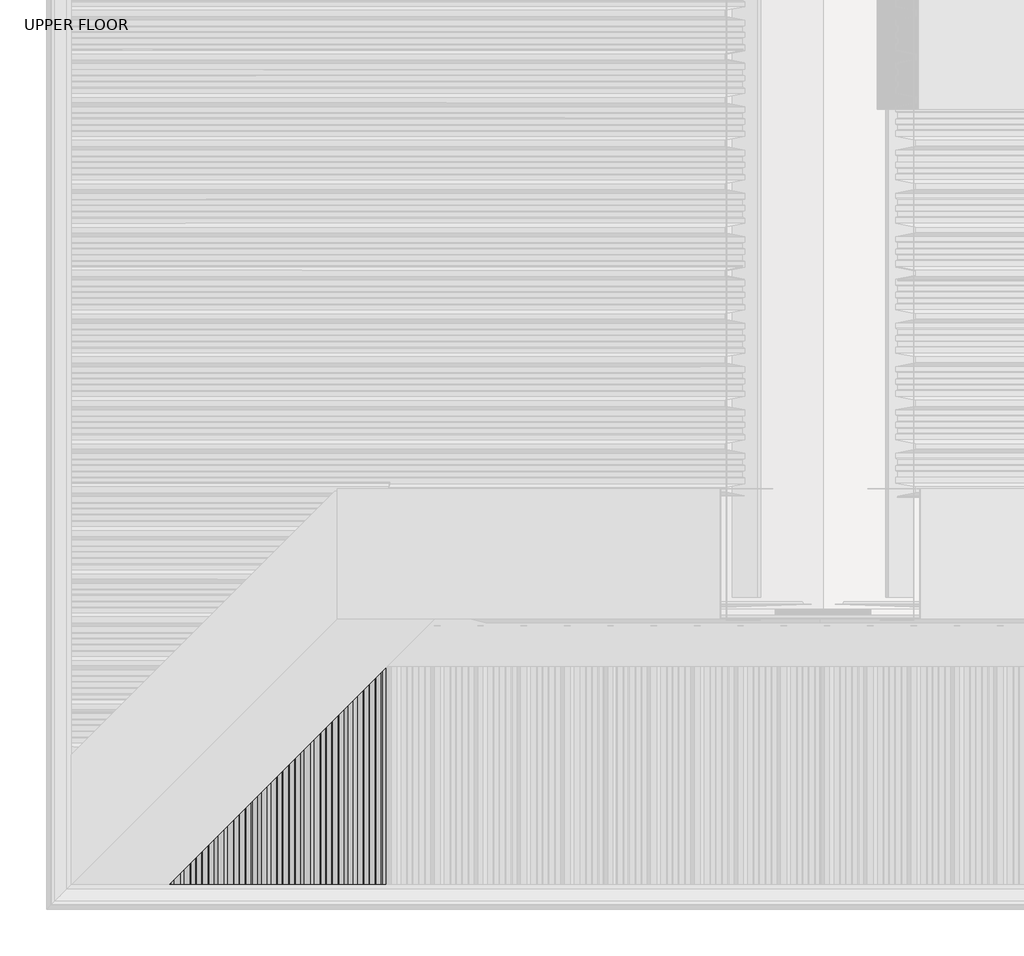
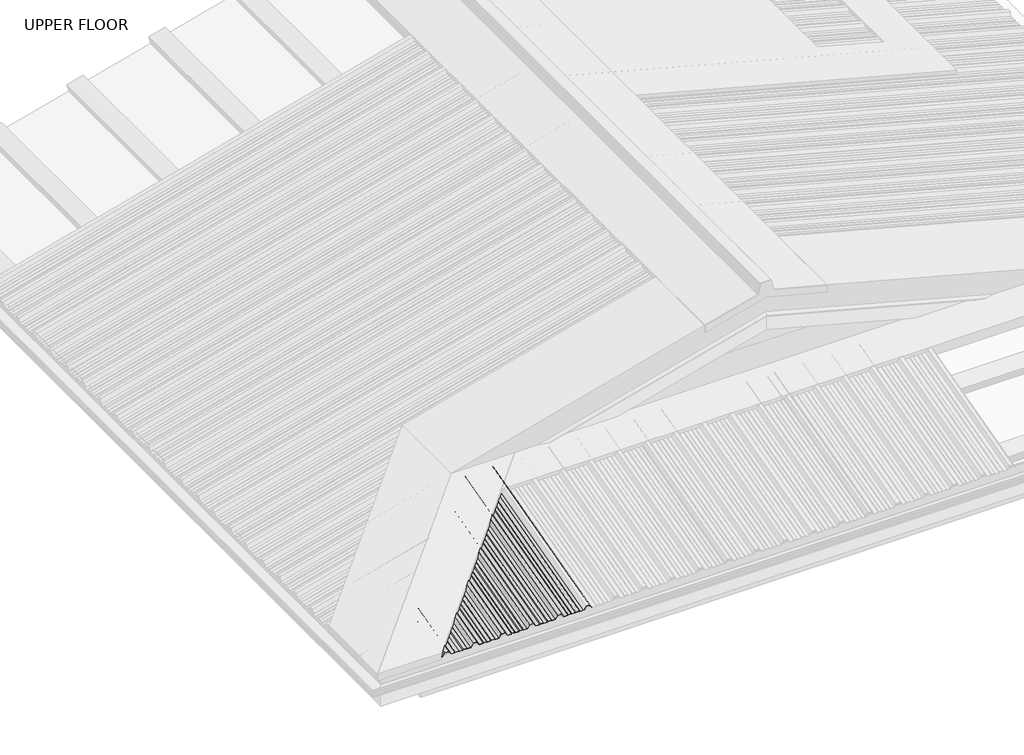
# One storey, part 5 of 18: 1 beam.
"""IFC4 building model written with IfcOpenShell, lengths in millimetres."""

from ifc_helpers import new_model, si_unit, frame, origin, place, context, project, spatial, circle_curve, ellipse_curve, element, save
from ifc_brep_helpers import plane_surface, cylinder_surface, advanced_brep

model = new_model("IFC4")

# Units and contexts
model_context = context("Model", 3, world=origin())
ifc_project = project(units=[si_unit("LENGTHUNIT", "METRE", prefix="MILLI")], contexts=[model_context])

# Site, building, storey
site = spatial("IfcSite", under=ifc_project)
building = spatial("IfcBuilding", under=site)
storey = spatial("IfcBuildingStorey", under=building, Name="UPPER FLOOR", Elevation=2700.0)

# Beam
placement = place(None, origin())
element("IfcBeam", 1, at=placement, inside=storey, context=model_context, shape_type="AdvancedBrep", body=[
    advanced_brep(
    [(416.8427512, -3760.3309538, 3515.7761857), (419.8863931, -3760.8485919, 3517.7080373), (436.1506785, -3760.8485919, 3517.7080373), (439.192137, -3760.3309538, 3515.7761857), (457.3837849, -3760.3309538, 3515.7761857), (460.6479489, -3760.8485919, 3517.7080373), (478.7663392, -3760.8485919, 3517.7080373), (482.8929412, -3760.3309538, 3515.7761857), (502.8200327, -3760.3309538, 3515.7761857), (514.8194908, -3764.4720586, 3531.2309989), (532.8194367, -3764.4720586, 3531.2309989), (544.476707, -3760.4490454, 3516.2169095), (543.6770929, -3760.2938359, 3515.6376597), (532.3200463, -3764.2132395, 3530.265073), (515.3188812, -3764.2132395, 3530.265073), (503.3194231, -3760.0721348, 3514.8102598), (482.6633813, -3760.0721348, 3514.8102598), (478.5367793, -3760.5897729, 3516.7421115), (460.9299442, -3760.5897729, 3516.7421115), (457.6657802, -3760.0721348, 3514.8102598), (438.8928065, -3760.0721348, 3514.8102598), (435.851348, -3760.5897729, 3516.7421115), (420.1855441, -3760.5897729, 3516.7421115), (417.1419022, -3760.0721348, 3514.8102598), (400.0466933, -3760.0721348, 3514.8102598), (399.7878742, -3760.3309538, 3515.7761857), (332.6633813, -3827.4554467, 3496.7549558), (350.8194638, -3809.2993643, 3501.6198634), (350.8194638, -4660.4975954, 3273.5419848), (332.6633813, -4660.4975954, 3273.5419848), (328.5367793, -3831.5820487, 3497.7197885), (328.5367793, -4660.4975954, 3275.6125372), (310.9299442, -3849.1888839, 3493.0020512), (310.9299442, -4660.4975954, 3275.6125372), (307.6657802, -3852.4530479, 3490.0568688), (307.6657802, -4660.4975954, 3273.5419848), (288.8928065, -3871.2260216, 3485.0266656), (288.8928065, -4660.4975954, 3273.5419848), (285.851348, -3874.2674801, 3486.2822616), (285.851348, -4660.4975954, 3275.6125372), (270.1855441, -3889.9332839, 3482.0846221), (270.1855441, -4660.4975954, 3275.6125372), (267.1419022, -3892.9769258, 3479.1985284), (267.1419022, -4660.4975954, 3273.5419848), (246.8194638, -3913.2993643, 3473.7531474), (246.8194638, -4660.4975954, 3273.5419848), (233.3200734, -3926.7987547, 3488.7709679), (233.3200734, -4660.4975954, 3292.176956), (214.3188541, -3945.7999739, 3483.6796066), (214.3188541, -4660.4975954, 3292.176956), (200.8194638, -3959.2993643, 3461.4274846), (200.8194638, -4660.4975954, 3273.5419848), (182.6633813, -3977.4554467, 3456.5625769), (182.6633813, -4660.4975954, 3273.5419848), (178.5367793, -3981.5820487, 3457.5274096), (178.5367793, -4660.4975954, 3275.6125372), (160.9299442, -3999.1888839, 3452.8096724), (160.9299442, -4660.4975954, 3275.6125372), (157.6657802, -4002.4530479, 3449.8644899), (157.6657802, -4660.4975954, 3273.5419848), (138.8928065, -4021.2260216, 3444.8342868), (138.8928065, -4660.4975954, 3273.5419848), (135.851348, -4024.2674801, 3446.0898828), (135.851348, -4660.4975954, 3275.6125372), (120.1855441, -4039.9332839, 3441.8922433), (120.1855441, -4660.4975954, 3275.6125372), (117.1419022, -4042.9769258, 3439.0061495), (117.1419022, -4660.4975954, 3273.5419848), (96.8194638, -4063.2993643, 3433.5607686), (96.8194638, -4660.4975954, 3273.5419848), (83.3200734, -4076.7987547, 3448.5785891), (83.3200734, -4660.4975954, 3292.176956), (64.3188541, -4095.7999739, 3443.4872277), (64.3188541, -4660.4975954, 3292.176956), (50.8194638, -4109.2993643, 3421.2351057), (50.8194638, -4660.4975954, 3273.5419848), (32.6633813, -4127.4554467, 3416.3701981), (32.6633813, -4660.4975954, 3273.5419848), (28.5367793, -4131.5820487, 3417.3350308), (28.5367793, -4660.4975954, 3275.6125372), (10.9299442, -4149.1888839, 3412.6172935), (10.9299442, -4660.4975954, 3275.6125372), (7.6657802, -4152.4530479, 3409.672111), (7.6657802, -4660.4975954, 3273.5419848), (-11.1071935, -4171.2260216, 3404.6419079), (-11.1071935, -4660.4975954, 3273.5419848), (-14.148652, -4174.2674801, 3405.8975039), (-14.148652, -4660.4975954, 3275.6125372), (-29.8144559, -4189.9332839, 3401.6998644), (-29.8144559, -4660.4975954, 3275.6125372), (-32.8580978, -4192.9769258, 3398.8137707), (-32.8580978, -4660.4975954, 3273.5419848), (-53.1805362, -4213.2993643, 3393.3683897), (-53.1805362, -4660.4975954, 3273.5419848), (-66.6799266, -4226.7987547, 3408.3862102), (-66.6799266, -4660.4975954, 3292.176956), (-85.6811459, -4245.7999739, 3403.2948488), (-85.6811459, -4660.4975954, 3292.176956), (-99.1805362, -4259.2993643, 3381.0427268), (-99.1805362, -4660.4975954, 3273.5419848), (-117.3366187, -4277.4554467, 3376.1778192), (-117.3366187, -4660.4975954, 3273.5419848), (-121.4632207, -4281.5820487, 3377.1426519), (-121.4632207, -4660.4975954, 3275.6125372), (-139.0700558, -4299.1888839, 3372.4249146), (-139.0700558, -4660.4975954, 3275.6125372), (-142.3342198, -4302.4530479, 3369.4797322), (-142.3342198, -4660.4975954, 3273.5419848), (-161.1071935, -4321.2260216, 3364.449529), (-161.1071935, -4660.4975954, 3273.5419848), (-164.148652, -4324.2674801, 3365.705125), (-164.148652, -4660.4975954, 3275.6125372), (-179.8144559, -4339.9332839, 3361.5074856), (-179.8144559, -4660.4975954, 3275.6125372), (-182.8580978, -4342.9769258, 3358.6213918), (-182.8580978, -4660.4975954, 3273.5419848), (-203.1805362, -4363.2993643, 3353.1760108), (-203.1805362, -4660.4975954, 3273.5419848), (-216.6799266, -4376.7987547, 3368.1938313), (-216.6799266, -4660.4975954, 3292.176956), (-235.6811459, -4395.7999739, 3363.10247), (-235.6811459, -4660.4975954, 3292.176956), (-247.680604, -4407.799432, 3343.322806), (-247.680604, -4660.4975954, 3275.6125372), (-251.3539212, -4411.4727492, 3342.3385436), (-251.3539212, -4660.4975954, 3275.6125372), (-251.3539212, -4411.4727492, 3343.3738198), (-251.3539212, -4660.4975954, 3276.6478133), (-248.1799944, -4408.2988224, 3344.2242709), (-248.1799944, -4660.4975954, 3276.6478133), (-236.1805362, -4396.2993643, 3364.0039349), (-236.1805362, -4660.4975954, 3293.2122322), (-216.1805362, -4376.2993643, 3369.3629188), (-216.1805362, -4660.4975954, 3293.2122322), (-202.6811459, -4362.7999739, 3354.3450983), (-202.6811459, -4660.4975954, 3274.577261), (-183.1572488, -4343.2760769, 3359.5765107), (-183.1572488, -4660.4975954, 3274.577261), (-180.1136069, -4340.232435, 3362.4626045), (-180.1136069, -4660.4975954, 3276.6478133), (-163.8493215, -4323.9681496, 3366.8206066), (-163.8493215, -4660.4975954, 3276.6478133), (-160.807863, -4320.9266911, 3365.5650106), (-160.807863, -4660.4975954, 3274.577261), (-142.6162151, -4302.7350431, 3370.439448), (-142.6162151, -4660.4975954, 3274.577261), (-139.3520511, -4299.4708791, 3373.3846304), (-139.3520511, -4660.4975954, 3276.6478133), (-121.2336608, -4281.3524888, 3378.2394385), (-121.2336608, -4660.4975954, 3276.6478133), (-117.1070588, -4277.2258869, 3377.2746058), (-117.1070588, -4660.4975954, 3274.577261), (-99.6799266, -4259.7987547, 3381.9441918), (-99.6799266, -4660.4975954, 3274.577261), (-86.1805362, -4246.2993643, 3404.1963138), (-86.1805362, -4660.4975954, 3293.2122322), (-66.1805362, -4226.2993643, 3409.5552976), (-66.1805362, -4660.4975954, 3293.2122322), (-52.6811459, -4212.7999739, 3394.5374771), (-52.6811459, -4660.4975954, 3274.577261), (-33.1572488, -4193.2760769, 3399.7688896), (-33.1572488, -4660.4975954, 3274.577261), (-30.1136069, -4190.232435, 3402.6549833), (-30.1136069, -4660.4975954, 3276.6478133), (-13.8493215, -4173.9681496, 3407.0129855), (-13.8493215, -4660.4975954, 3276.6478133), (-10.807863, -4170.9266911, 3405.7573894), (-10.807863, -4660.4975954, 3274.577261), (7.3837849, -4152.7350431, 3410.6318268), (7.3837849, -4660.4975954, 3274.577261), (10.6479489, -4149.4708791, 3413.5770093), (10.6479489, -4660.4975954, 3276.6478133), (28.7663392, -4131.3524888, 3418.4318173), (28.7663392, -4660.4975954, 3276.6478133), (32.8929412, -4127.2258869, 3417.4669846), (32.8929412, -4660.4975954, 3274.577261), (50.3200734, -4109.7987547, 3422.1365706), (50.3200734, -4660.4975954, 3274.577261), (63.8194638, -4096.2993643, 3444.3886926), (63.8194638, -4660.4975954, 3293.2122322), (83.8194638, -4076.2993643, 3449.7476765), (83.8194638, -4660.4975954, 3293.2122322), (97.3188541, -4062.7999739, 3434.729856), (97.3188541, -4660.4975954, 3274.577261), (116.8427512, -4043.2760769, 3439.9612684), (116.8427512, -4660.4975954, 3274.577261), (119.8863931, -4040.232435, 3442.8473622), (119.8863931, -4660.4975954, 3276.6478133), (136.1506785, -4023.9681496, 3447.2053643), (136.1506785, -4660.4975954, 3276.6478133), (139.192137, -4020.9266911, 3445.9497683), (139.192137, -4660.4975954, 3274.577261), (157.3837849, -4002.7350431, 3450.8242057), (157.3837849, -4660.4975954, 3274.577261), (160.6479489, -3999.4708791, 3453.7693882), (160.6479489, -4660.4975954, 3276.6478133), (178.7663392, -3981.3524888, 3458.6241962), (178.7663392, -4660.4975954, 3276.6478133), (182.8929412, -3977.2258869, 3457.6593635), (182.8929412, -4660.4975954, 3274.577261), (200.3200734, -3959.7987547, 3462.3289495), (200.3200734, -4660.4975954, 3274.577261), (213.8194638, -3946.2993643, 3484.5810715), (213.8194638, -4660.4975954, 3293.2122322), (233.8194638, -3926.2993643, 3489.9400554), (233.8194638, -4660.4975954, 3293.2122322), (247.3188541, -3912.7999739, 3474.9222349), (247.3188541, -4660.4975954, 3274.577261), (266.8427512, -3893.2760769, 3480.1536473), (266.8427512, -4660.4975954, 3274.577261), (269.8863931, -3890.232435, 3483.039741), (269.8863931, -4660.4975954, 3276.6478133), (286.1506785, -3873.9681496, 3487.3977432), (286.1506785, -4660.4975954, 3276.6478133), (289.192137, -3870.9266911, 3486.1421472), (289.192137, -4660.4975954, 3274.577261), (307.3837849, -3852.7350431, 3491.0165846), (307.3837849, -4660.4975954, 3274.577261), (310.6479489, -3849.4708791, 3493.961767), (310.6479489, -4660.4975954, 3276.6478133), (328.7663392, -3831.3524888, 3498.8165751), (328.7663392, -4660.4975954, 3276.6478133), (332.8929412, -3827.2258869, 3497.8517424), (332.8929412, -4660.4975954, 3274.577261), (350.3200734, -3809.7987547, 3502.5213284), (350.3200734, -4660.4975954, 3274.577261), (363.8194638, -3796.2993643, 3524.7734504), (363.8194638, -4660.4975954, 3293.2122322), (383.8194638, -3776.2993643, 3530.1324342), (383.8194638, -4660.4975954, 3293.2122322), (397.3188541, -3762.7999739, 3515.1146137), (397.3188541, -4660.4975954, 3274.577261), (416.8427512, -4660.4975954, 3274.577261), (419.8863931, -4660.4975954, 3276.6478133), (436.1506785, -4660.4975954, 3276.6478133), (439.192137, -4660.4975954, 3274.577261), (457.3837849, -4660.4975954, 3274.577261), (460.6479489, -4660.4975954, 3276.6478133), (478.7663392, -4660.4975954, 3276.6478133), (482.8929412, -4660.4975954, 3274.577261), (502.8200327, -4660.4975954, 3274.577261), (514.8194908, -4660.4975954, 3291.1416799), (532.8194367, -4660.4975954, 3291.1416799), (364.3188541, -3795.7999739, 3523.8719854), (364.3188541, -4660.4975954, 3292.176956), (544.476707, -4660.4975954, 3275.0496274), (543.6770929, -4660.4975954, 3274.4287893), (532.3200463, -4660.4975954, 3290.1064037), (515.3188812, -4660.4975954, 3290.1064037), (503.3194231, -4660.4975954, 3273.5419848), (482.6633813, -4660.4975954, 3273.5419848), (478.5367793, -4660.4975954, 3275.6125372), (460.9299442, -4660.4975954, 3275.6125372), (457.6657802, -4660.4975954, 3273.5419848), (438.8928065, -4660.4975954, 3273.5419848), (435.851348, -4660.4975954, 3275.6125372), (420.1855441, -4660.4975954, 3275.6125372), (417.1419022, -4660.4975954, 3273.5419848), (396.8194638, -3763.2993643, 3513.9455263), (396.8194638, -4660.4975954, 3273.5419848), (383.3200734, -3776.7987547, 3528.9633468), (383.3200734, -4660.4975954, 3292.176956)],
    [
        (0, 1),
        (1, 2),
        (2, 3),
        (3, 4),
        (4, 5),
        (5, 6),
        (6, 7),
        (7, 8),
        (8, 9),
        (9, 10),
        (10, 11),
        (11, 12, circle_curve(frame((544.0769, -3760.3714407, 3515.9272846), z_axis=(0.0, 0.9659258262890683, 0.2588190451025206), x_axis=(-1.0000000000000002, 0.0, 0.0)), 0.4997507)),
        (12, 13),
        (13, 14),
        (14, 15),
        (15, 16),
        (16, 17),
        (17, 18),
        (18, 19),
        (19, 20),
        (20, 21),
        (21, 22),
        (22, 23),
        (23, 24),
        (24, 25),
        (25, 0),
        (26, 27),
        (27, 28),
        (28, 29),
        (29, 26),
        (30, 26),
        (29, 31),
        (31, 30),
        (32, 30),
        (31, 33),
        (33, 32),
        (34, 32),
        (33, 35),
        (35, 34),
        (36, 34),
        (35, 37),
        (37, 36),
        (38, 36),
        (37, 39),
        (39, 38),
        (40, 38),
        (39, 41),
        (41, 40),
        (42, 40),
        (41, 43),
        (43, 42),
        (44, 42),
        (43, 45),
        (45, 44),
        (46, 44),
        (45, 47),
        (47, 46),
        (48, 46),
        (47, 49),
        (49, 48),
        (50, 48),
        (49, 51),
        (51, 50),
        (52, 50),
        (51, 53),
        (53, 52),
        (54, 52),
        (53, 55),
        (55, 54),
        (56, 54),
        (55, 57),
        (57, 56),
        (58, 56),
        (57, 59),
        (59, 58),
        (60, 58),
        (59, 61),
        (61, 60),
        (62, 60),
        (61, 63),
        (63, 62),
        (64, 62),
        (63, 65),
        (65, 64),
        (66, 64),
        (65, 67),
        (67, 66),
        (68, 66),
        (67, 69),
        (69, 68),
        (70, 68),
        (69, 71),
        (71, 70),
        (72, 70),
        (71, 73),
        (73, 72),
        (74, 72),
        (73, 75),
        (75, 74),
        (76, 74),
        (75, 77),
        (77, 76),
        (78, 76),
        (77, 79),
        (79, 78),
        (80, 78),
        (79, 81),
        (81, 80),
        (82, 80),
        (81, 83),
        (83, 82),
        (84, 82),
        (83, 85),
        (85, 84),
        (86, 84),
        (85, 87),
        (87, 86),
        (88, 86),
        (87, 89),
        (89, 88),
        (90, 88),
        (89, 91),
        (91, 90),
        (92, 90),
        (91, 93),
        (93, 92),
        (94, 92),
        (93, 95),
        (95, 94),
        (96, 94),
        (95, 97),
        (97, 96),
        (98, 96),
        (97, 99),
        (99, 98),
        (100, 98),
        (99, 101),
        (101, 100),
        (102, 100),
        (101, 103),
        (103, 102),
        (104, 102),
        (103, 105),
        (105, 104),
        (106, 104),
        (105, 107),
        (107, 106),
        (108, 106),
        (107, 109),
        (109, 108),
        (110, 108),
        (109, 111),
        (111, 110),
        (112, 110),
        (111, 113),
        (113, 112),
        (114, 112),
        (113, 115),
        (115, 114),
        (116, 114),
        (115, 117),
        (117, 116),
        (118, 116),
        (117, 119),
        (119, 118),
        (120, 118),
        (119, 121),
        (121, 120),
        (122, 120),
        (121, 123),
        (123, 122),
        (124, 122),
        (123, 125),
        (125, 124),
        (126, 124, ellipse_curve(frame((-251.3539212, -4411.4727492, 3342.8561817), z_axis=(0.7071067811865475, -0.7071067811865476, 0.0), x_axis=(0.6612248329466452, 0.661224832946645, 0.35434932000691427)), 0.7320508, 0.5)),
        (125, 127, ellipse_curve(frame((-251.3539212, -4660.4975954, 3276.1301752), z_axis=(0.0, 1.0, 0.0), x_axis=(0.0, 0.0, 1.0)), 0.5176381, 0.5)),
        (127, 126),
        (128, 126),
        (127, 129),
        (129, 128),
        (130, 128),
        (129, 131),
        (131, 130),
        (132, 130),
        (131, 133),
        (133, 132),
        (134, 132),
        (133, 135),
        (135, 134),
        (136, 134),
        (135, 137),
        (137, 136),
        (138, 136),
        (137, 139),
        (139, 138),
        (140, 138),
        (139, 141),
        (141, 140),
        (142, 140),
        (141, 143),
        (143, 142),
        (144, 142),
        (143, 145),
        (145, 144),
        (146, 144),
        (145, 147),
        (147, 146),
        (148, 146),
        (147, 149),
        (149, 148),
        (150, 148),
        (149, 151),
        (151, 150),
        (152, 150),
        (151, 153),
        (153, 152),
        (154, 152),
        (153, 155),
        (155, 154),
        (156, 154),
        (155, 157),
        (157, 156),
        (158, 156),
        (157, 159),
        (159, 158),
        (160, 158),
        (159, 161),
        (161, 160),
        (162, 160),
        (161, 163),
        (163, 162),
        (164, 162),
        (163, 165),
        (165, 164),
        (166, 164),
        (165, 167),
        (167, 166),
        (168, 166),
        (167, 169),
        (169, 168),
        (170, 168),
        (169, 171),
        (171, 170),
        (172, 170),
        (171, 173),
        (173, 172),
        (174, 172),
        (173, 175),
        (175, 174),
        (176, 174),
        (175, 177),
        (177, 176),
        (178, 176),
        (177, 179),
        (179, 178),
        (180, 178),
        (179, 181),
        (181, 180),
        (182, 180),
        (181, 183),
        (183, 182),
        (184, 182),
        (183, 185),
        (185, 184),
        (186, 184),
        (185, 187),
        (187, 186),
        (188, 186),
        (187, 189),
        (189, 188),
        (190, 188),
        (189, 191),
        (191, 190),
        (192, 190),
        (191, 193),
        (193, 192),
        (194, 192),
        (193, 195),
        (195, 194),
        (196, 194),
        (195, 197),
        (197, 196),
        (198, 196),
        (197, 199),
        (199, 198),
        (200, 198),
        (199, 201),
        (201, 200),
        (202, 200),
        (201, 203),
        (203, 202),
        (204, 202),
        (203, 205),
        (205, 204),
        (206, 204),
        (205, 207),
        (207, 206),
        (208, 206),
        (207, 209),
        (209, 208),
        (210, 208),
        (209, 211),
        (211, 210),
        (212, 210),
        (211, 213),
        (213, 212),
        (214, 212),
        (213, 215),
        (215, 214),
        (216, 214),
        (215, 217),
        (217, 216),
        (218, 216),
        (217, 219),
        (219, 218),
        (220, 218),
        (219, 221),
        (221, 220),
        (222, 220),
        (221, 223),
        (223, 222),
        (224, 222),
        (223, 225),
        (225, 224),
        (226, 224),
        (225, 227),
        (227, 226),
        (228, 226),
        (227, 229),
        (229, 228),
        (230, 228),
        (229, 231),
        (231, 230),
        (25, 230),
        (231, 232),
        (232, 0),
        (232, 233),
        (233, 1),
        (233, 234),
        (234, 2),
        (234, 235),
        (235, 3),
        (235, 236),
        (236, 4),
        (236, 237),
        (237, 5),
        (237, 238),
        (238, 6),
        (238, 239),
        (239, 7),
        (239, 240),
        (240, 8),
        (240, 241),
        (241, 9),
        (241, 242),
        (242, 10),
        (27, 243),
        (243, 244),
        (244, 28),
        (242, 245),
        (245, 11),
        (245, 246, ellipse_curve(frame((544.0769, -4660.4975954, 3274.7392084), z_axis=(0.0, 1.0, 0.0), x_axis=(0.0, 0.0, 1.0)), 0.51738, 0.4997507)),
        (246, 12),
        (246, 247),
        (247, 13),
        (247, 248),
        (248, 14),
        (248, 249),
        (249, 15),
        (249, 250),
        (250, 16),
        (250, 251),
        (251, 17),
        (251, 252),
        (252, 18),
        (252, 253),
        (253, 19),
        (253, 254),
        (254, 20),
        (254, 255),
        (255, 21),
        (255, 256),
        (256, 22),
        (256, 257),
        (257, 23),
        (258, 24),
        (257, 259),
        (259, 258),
        (260, 258),
        (259, 261),
        (261, 260),
        (243, 260),
        (261, 244),
    ],
    [
        plane_surface(frame((364.3188541, -3764.7308776, 3532.1969247), z_axis=(0.0, 0.9659258262890682, 0.2588190451025203), x_axis=(-0.5999826594493575, 0.20705860205458618, -0.7727532230118983))),
        plane_surface(frame((350.8194638, -3760.0721348, 3514.8102598), z_axis=(0.0, 0.2588190451025206, -0.9659258262890683), x_axis=(0.0, -0.9659258262890683, -0.2588190451025206))),
        plane_surface(frame((332.6633813, -3760.0721348, 3514.8102598), z_axis=(-0.4361363616997869, 0.23290623468573943, -0.8692179012467379), x_axis=(0.0, -0.9659258262890683, -0.2588190451025206))),
        plane_surface(frame((328.5367793, -3760.5897729, 3516.7421115), z_axis=(0.0, 0.2588190451025206, -0.9659258262890683), x_axis=(0.0, -0.9659258262890683, -0.2588190451025206))),
        plane_surface(frame((310.9299442, -3760.5897729, 3516.7421115), z_axis=(0.5224449573493026, 0.22068801492462864, -0.8236188843202371), x_axis=(0.0, -0.9659258262890683, -0.2588190451025206))),
        plane_surface(frame((307.6657802, -3760.0721348, 3514.8102598), z_axis=(0.0, 0.2588190451025206, -0.9659258262890683), x_axis=(0.0, -0.9659258262890683, -0.2588190451025206))),
        plane_surface(frame((288.8928065, -3760.0721348, 3514.8102598), z_axis=(-0.5494325148836686, 0.21625317242009726, -0.8070678267697524), x_axis=(0.0, -0.9659258262890683, -0.2588190451025206))),
        plane_surface(frame((285.851348, -3760.5897729, 3516.7421115), z_axis=(0.0, 0.2588190451025206, -0.9659258262890683), x_axis=(0.0, -0.9659258262890683, -0.2588190451025206))),
        plane_surface(frame((270.1855441, -3760.5897729, 3516.7421115), z_axis=(0.5491572662555921, 0.21630000128988627, -0.8072425944910736), x_axis=(0.0, -0.9659258262890683, -0.2588190451025206))),
        plane_surface(frame((267.1419022, -3760.0721348, 3514.8102598), z_axis=(0.0, 0.2588190451025206, -0.9659258262890683), x_axis=(0.0, -0.9659258262890683, -0.2588190451025206))),
        plane_surface(frame((246.8194638, -3760.0721348, 3514.8102598), z_axis=(-0.8000130051193381, 0.1552869389967553, -0.5795387460877346), x_axis=(0.0, -0.9659258262890683, -0.2588190451025206))),
        plane_surface(frame((233.3200734, -3764.7308776, 3532.1969247), z_axis=(0.0, 0.2588190451025206, -0.9659258262890683), x_axis=(0.0, -0.9659258262890683, -0.2588190451025206))),
        plane_surface(frame((214.3188541, -3764.7308776, 3532.1969247), z_axis=(0.8000130051193399, 0.15528693899675203, -0.5795387460877333), x_axis=(0.0, -0.9659258262890683, -0.2588190451025206))),
        plane_surface(frame((200.8194638, -3760.0721348, 3514.8102598), z_axis=(0.0, 0.2588190451025206, -0.9659258262890683), x_axis=(0.0, -0.9659258262890683, -0.2588190451025206))),
        plane_surface(frame((182.6633813, -3760.0721348, 3514.8102598), z_axis=(-0.43613636169978254, 0.23290623468573998, -0.86921790124674), x_axis=(0.0, -0.9659258262890683, -0.2588190451025206))),
        plane_surface(frame((178.5367793, -3760.5897729, 3516.7421115), z_axis=(0.0, 0.2588190451025206, -0.9659258262890683), x_axis=(0.0, -0.9659258262890683, -0.2588190451025206))),
        plane_surface(frame((160.9299442, -3760.5897729, 3516.7421115), z_axis=(0.5224449573492956, 0.22068801492462986, -0.8236188843202413), x_axis=(0.0, -0.9659258262890683, -0.2588190451025206))),
        plane_surface(frame((157.6657802, -3760.0721348, 3514.8102598), z_axis=(0.0, 0.2588190451025206, -0.9659258262890683), x_axis=(0.0, -0.9659258262890683, -0.2588190451025206))),
        plane_surface(frame((138.8928065, -3760.0721348, 3514.8102598), z_axis=(-0.5494325148836601, 0.21625317242009867, -0.8070678267697579), x_axis=(0.0, -0.9659258262890683, -0.2588190451025206))),
        plane_surface(frame((135.851348, -3760.5897729, 3516.7421115), z_axis=(0.0, 0.2588190451025206, -0.9659258262890683), x_axis=(0.0, -0.9659258262890683, -0.2588190451025206))),
        plane_surface(frame((120.1855441, -3760.5897729, 3516.7421115), z_axis=(0.5491572662555921, 0.21630000128988627, -0.8072425944910736), x_axis=(0.0, -0.9659258262890683, -0.2588190451025206))),
        plane_surface(frame((117.1419022, -3760.0721348, 3514.8102598), z_axis=(0.0, 0.2588190451025206, -0.9659258262890683), x_axis=(0.0, -0.9659258262890683, -0.2588190451025206))),
        plane_surface(frame((96.8194638, -3760.0721348, 3514.8102598), z_axis=(-0.8000130051193369, 0.1552869389967557, -0.5795387460877361), x_axis=(0.0, -0.9659258262890683, -0.2588190451025206))),
        plane_surface(frame((83.3200734, -3764.7308776, 3532.1969247), z_axis=(0.0, 0.2588190451025206, -0.9659258262890683), x_axis=(0.0, -0.9659258262890683, -0.2588190451025206))),
        plane_surface(frame((64.3188541, -3764.7308776, 3532.1969247), z_axis=(0.8000130051193418, 0.15528693899675125, -0.5795387460877306), x_axis=(0.0, -0.9659258262890683, -0.2588190451025206))),
        plane_surface(frame((50.8194638, -3760.0721348, 3514.8102598), z_axis=(0.0, 0.2588190451025206, -0.9659258262890683), x_axis=(0.0, -0.9659258262890683, -0.2588190451025206))),
        plane_surface(frame((32.6633813, -3760.0721348, 3514.8102598), z_axis=(-0.43613636169979125, 0.23290623468573884, -0.8692179012467358), x_axis=(0.0, -0.9659258262890683, -0.2588190451025206))),
        plane_surface(frame((28.5367793, -3760.5897729, 3516.7421115), z_axis=(0.0, 0.2588190451025206, -0.9659258262890683), x_axis=(0.0, -0.9659258262890683, -0.2588190451025206))),
        plane_surface(frame((10.9299442, -3760.5897729, 3516.7421115), z_axis=(0.5224449573492987, 0.22068801492462933, -0.8236188843202394), x_axis=(0.0, -0.9659258262890683, -0.2588190451025206))),
        plane_surface(frame((7.6657802, -3760.0721348, 3514.8102598), z_axis=(0.0, 0.2588190451025206, -0.9659258262890683), x_axis=(0.0, -0.9659258262890683, -0.2588190451025206))),
        plane_surface(frame((-11.1071935, -3760.0721348, 3514.8102598), z_axis=(-0.5494325148836686, 0.21625317242009723, -0.8070678267697524), x_axis=(0.0, -0.9659258262890683, -0.2588190451025206))),
        plane_surface(frame((-14.148652, -3760.5897729, 3516.7421115), z_axis=(0.0, 0.2588190451025206, -0.9659258262890683), x_axis=(0.0, -0.9659258262890683, -0.2588190451025206))),
        plane_surface(frame((-29.8144559, -3760.5897729, 3516.7421115), z_axis=(0.5491572662555921, 0.2163000012898863, -0.8072425944910736), x_axis=(0.0, -0.9659258262890683, -0.2588190451025206))),
        plane_surface(frame((-32.8580978, -3760.0721348, 3514.8102598), z_axis=(0.0, 0.2588190451025206, -0.9659258262890683), x_axis=(0.0, -0.9659258262890683, -0.2588190451025206))),
        plane_surface(frame((-53.1805362, -3760.0721348, 3514.8102598), z_axis=(-0.8000130051193386, 0.1552869389967552, -0.5795387460877344), x_axis=(0.0, -0.9659258262890683, -0.2588190451025206))),
        plane_surface(frame((-66.6799266, -3764.7308776, 3532.1969247), z_axis=(0.0, 0.2588190451025206, -0.9659258262890683), x_axis=(0.0, -0.9659258262890683, -0.2588190451025206))),
        plane_surface(frame((-85.6811459, -3764.7308776, 3532.1969247), z_axis=(0.8000130051193374, 0.15528693899675292, -0.5795387460877364), x_axis=(0.0, -0.9659258262890683, -0.2588190451025206))),
        plane_surface(frame((-99.1805362, -3760.0721348, 3514.8102598), z_axis=(0.0, 0.2588190451025206, -0.9659258262890683), x_axis=(0.0, -0.9659258262890683, -0.2588190451025206))),
        plane_surface(frame((-117.3366187, -3760.0721348, 3514.8102598), z_axis=(-0.43613636169980247, 0.23290623468573748, -0.8692179012467306), x_axis=(0.0, -0.9659258262890683, -0.2588190451025206))),
        plane_surface(frame((-121.4632207, -3760.5897729, 3516.7421115), z_axis=(0.0, 0.25881904510252063, -0.9659258262890683), x_axis=(0.0, -0.9659258262890683, -0.25881904510252063))),
        plane_surface(frame((-139.0700558, -3760.5897729, 3516.7421115), z_axis=(0.5224449573492934, 0.22068801492463008, -0.8236188843202427), x_axis=(0.0, -0.9659258262890683, -0.2588190451025205))),
        plane_surface(frame((-142.3342198, -3760.0721348, 3514.8102598), z_axis=(0.0, 0.2588190451025206, -0.9659258262890683), x_axis=(0.0, -0.9659258262890683, -0.2588190451025206))),
        plane_surface(frame((-161.1071935, -3760.0721348, 3514.8102598), z_axis=(-0.5494325148836651, 0.2162531724200979, -0.8070678267697547), x_axis=(0.0, -0.9659258262890683, -0.2588190451025206))),
        plane_surface(frame((-164.148652, -3760.5897729, 3516.7421115), z_axis=(0.0, 0.2588190451025205, -0.9659258262890683), x_axis=(0.0, -0.9659258262890683, -0.2588190451025205))),
        plane_surface(frame((-179.8144559, -3760.5897729, 3516.7421115), z_axis=(0.5491572662555798, 0.21630000128988824, -0.8072425944910817), x_axis=(0.0, -0.9659258262890683, -0.2588190451025205))),
        plane_surface(frame((-182.8580978, -3760.0721348, 3514.8102598), z_axis=(0.0, 0.2588190451025206, -0.9659258262890683), x_axis=(0.0, -0.9659258262890683, -0.2588190451025206))),
        plane_surface(frame((-203.1805362, -3760.0721348, 3514.8102598), z_axis=(-0.8000130051193403, 0.1552869389967549, -0.5795387460877321), x_axis=(0.0, -0.9659258262890683, -0.25881904510252063))),
        plane_surface(frame((-216.6799266, -3764.7308776, 3532.1969247), z_axis=(0.0, 0.2588190451025206, -0.9659258262890683), x_axis=(0.0, -0.9659258262890683, -0.2588190451025206))),
        plane_surface(frame((-235.6811459, -3764.7308776, 3532.1969247), z_axis=(0.8000130051193405, 0.15528693899675172, -0.5795387460877325), x_axis=(0.0, -0.9659258262890683, -0.2588190451025206))),
        plane_surface(frame((-247.680604, -3760.5897729, 3516.7421115), z_axis=(0.0, 0.2588190451025205, -0.9659258262890683), x_axis=(0.0, -0.9659258262890683, -0.2588190451025205))),
        cylinder_surface(frame((-251.3539212, -4673.5195398, 3272.6409558), z_axis=(0.0, 0.9659258262890683, 0.2588190451025206), x_axis=(-1.0000000000000002, 0.0, 0.0)), 0.5),
        plane_surface(frame((-251.3539212, -3760.8485919, 3517.7080373), z_axis=(0.0, -0.2588190451025205, 0.9659258262890683), x_axis=(0.0, -0.9659258262890683, -0.2588190451025205))),
        plane_surface(frame((-248.1799944, -3760.8485919, 3517.7080373), z_axis=(-0.8000130051193407, -0.15528693899675164, 0.5795387460877323), x_axis=(0.0, -0.9659258262890683, -0.2588190451025205))),
        plane_surface(frame((-236.1805362, -3764.9896966, 3533.1628505), z_axis=(0.0, -0.2588190451025205, 0.9659258262890683), x_axis=(0.0, -0.9659258262890683, -0.2588190451025205))),
        plane_surface(frame((-216.1805362, -3764.9896966, 3533.1628505), z_axis=(0.8000130051193397, -0.15528693899675497, 0.5795387460877324), x_axis=(0.0, -0.9659258262890683, -0.25881904510252063))),
        plane_surface(frame((-202.6811459, -3760.3309538, 3515.7761857), z_axis=(0.0, -0.25881904510252063, 0.9659258262890683), x_axis=(0.0, -0.9659258262890683, -0.25881904510252063))),
        plane_surface(frame((-183.1572488, -3760.3309538, 3515.7761857), z_axis=(-0.5491572662556089, -0.21630000128988322, 0.807242594491063), x_axis=(0.0, -0.9659258262890683, -0.2588190451025205))),
        plane_surface(frame((-180.1136069, -3760.8485919, 3517.7080373), z_axis=(0.0, -0.25881904510252063, 0.9659258262890683), x_axis=(0.0, -0.9659258262890683, -0.25881904510252063))),
        plane_surface(frame((-163.8493215, -3760.8485919, 3517.7080373), z_axis=(0.5494325148836912, -0.21625317242009348, 0.8070678267697382), x_axis=(0.0, -0.9659258262890683, -0.2588190451025206))),
        plane_surface(frame((-160.807863, -3760.3309538, 3515.7761857), z_axis=(0.0, -0.25881904510252063, 0.9659258262890683), x_axis=(0.0, -0.9659258262890683, -0.25881904510252063))),
        plane_surface(frame((-142.6162151, -3760.3309538, 3515.7761857), z_axis=(-0.5224449573493087, -0.22068801492462764, 0.8236188843202334), x_axis=(0.0, -0.9659258262890683, -0.2588190451025206))),
        plane_surface(frame((-139.3520511, -3760.8485919, 3517.7080373), z_axis=(0.0, -0.2588190451025205, 0.9659258262890683), x_axis=(0.0, -0.9659258262890683, -0.2588190451025205))),
        plane_surface(frame((-121.2336608, -3760.8485919, 3517.7080373), z_axis=(0.436136361699798, -0.23290623468573818, 0.8692179012467327), x_axis=(0.0, -0.9659258262890683, -0.25881904510252063))),
        plane_surface(frame((-117.1070588, -3760.3309538, 3515.7761857), z_axis=(0.0, -0.2588190451025205, 0.9659258262890683), x_axis=(0.0, -0.9659258262890683, -0.2588190451025205))),
        plane_surface(frame((-99.6799266, -3760.3309538, 3515.7761857), z_axis=(-0.8000130051193365, -0.1552869389967532, 0.5795387460877378), x_axis=(0.0, -0.9659258262890683, -0.25881904510252063))),
        plane_surface(frame((-86.1805362, -3764.9896966, 3533.1628505), z_axis=(0.0, -0.2588190451025206, 0.9659258262890683), x_axis=(0.0, -0.9659258262890683, -0.2588190451025206))),
        plane_surface(frame((-66.1805362, -3764.9896966, 3533.1628505), z_axis=(0.80001300511934, -0.15528693899675466, 0.5795387460877324), x_axis=(0.0, -0.9659258262890683, -0.2588190451025206))),
        plane_surface(frame((-52.6811459, -3760.3309538, 3515.7761857), z_axis=(0.0, -0.2588190451025206, 0.9659258262890683), x_axis=(0.0, -0.9659258262890683, -0.2588190451025206))),
        plane_surface(frame((-33.1572488, -3760.3309538, 3515.7761857), z_axis=(-0.5491572662555889, -0.21630000128988686, 0.8072425944910757), x_axis=(0.0, -0.9659258262890683, -0.2588190451025206))),
        plane_surface(frame((-30.1136069, -3760.8485919, 3517.7080373), z_axis=(0.0, -0.2588190451025206, 0.9659258262890683), x_axis=(0.0, -0.9659258262890683, -0.2588190451025206))),
        plane_surface(frame((-13.8493215, -3760.8485919, 3517.7080373), z_axis=(0.5494325148836653, -0.21625317242009773, 0.8070678267697544), x_axis=(0.0, -0.9659258262890683, -0.2588190451025206))),
        plane_surface(frame((-10.807863, -3760.3309538, 3515.7761857), z_axis=(0.0, -0.2588190451025206, 0.9659258262890683), x_axis=(0.0, -0.9659258262890683, -0.2588190451025206))),
        plane_surface(frame((7.3837849, -3760.3309538, 3515.7761857), z_axis=(-0.5224449573493033, -0.2206880149246286, 0.8236188843202368), x_axis=(0.0, -0.9659258262890683, -0.2588190451025206))),
        plane_surface(frame((10.6479489, -3760.8485919, 3517.7080373), z_axis=(0.0, -0.2588190451025206, 0.9659258262890683), x_axis=(0.0, -0.9659258262890683, -0.2588190451025206))),
        plane_surface(frame((28.7663392, -3760.8485919, 3517.7080373), z_axis=(0.4361363616997854, -0.23290623468573957, 0.8692179012467386), x_axis=(0.0, -0.9659258262890683, -0.2588190451025206))),
        plane_surface(frame((32.8929412, -3760.3309538, 3515.7761857), z_axis=(0.0, -0.2588190451025206, 0.9659258262890683), x_axis=(0.0, -0.9659258262890683, -0.2588190451025206))),
        plane_surface(frame((50.3200734, -3760.3309538, 3515.7761857), z_axis=(-0.8000130051193389, -0.15528693899675225, 0.5795387460877344), x_axis=(0.0, -0.9659258262890683, -0.2588190451025206))),
        plane_surface(frame((63.8194638, -3764.9896966, 3533.1628505), z_axis=(0.0, -0.2588190451025206, 0.9659258262890683), x_axis=(0.0, -0.9659258262890683, -0.2588190451025206))),
        plane_surface(frame((83.8194638, -3764.9896966, 3533.1628505), z_axis=(0.8000130051193395, -0.15528693899675483, 0.5795387460877327), x_axis=(0.0, -0.9659258262890683, -0.2588190451025206))),
        plane_surface(frame((97.3188541, -3760.3309538, 3515.7761857), z_axis=(0.0, -0.2588190451025206, 0.9659258262890683), x_axis=(0.0, -0.9659258262890683, -0.2588190451025206))),
        plane_surface(frame((116.8427512, -3760.3309538, 3515.7761857), z_axis=(-0.5491572662555889, -0.21630000128988683, 0.8072425944910757), x_axis=(0.0, -0.9659258262890683, -0.2588190451025206))),
        plane_surface(frame((119.8863931, -3760.8485919, 3517.7080373), z_axis=(0.0, -0.2588190451025206, 0.9659258262890683), x_axis=(0.0, -0.9659258262890683, -0.2588190451025206))),
        plane_surface(frame((136.1506785, -3760.8485919, 3517.7080373), z_axis=(0.5494325148836567, -0.21625317242009923, 0.8070678267697599), x_axis=(0.0, -0.9659258262890683, -0.2588190451025206))),
        plane_surface(frame((139.192137, -3760.3309538, 3515.7761857), z_axis=(0.0, -0.2588190451025206, 0.9659258262890683), x_axis=(0.0, -0.9659258262890683, -0.2588190451025206))),
        plane_surface(frame((157.3837849, -3760.3309538, 3515.7761857), z_axis=(-0.522444957349298, -0.22068801492462947, 0.82361888432024), x_axis=(0.0, -0.9659258262890683, -0.2588190451025206))),
        plane_surface(frame((160.6479489, -3760.8485919, 3517.7080373), z_axis=(0.0, -0.2588190451025206, 0.9659258262890683), x_axis=(0.0, -0.9659258262890683, -0.2588190451025206))),
        plane_surface(frame((178.7663392, -3760.8485919, 3517.7080373), z_axis=(0.4361363616997878, -0.23290623468573934, 0.8692179012467376), x_axis=(0.0, -0.9659258262890683, -0.2588190451025206))),
        plane_surface(frame((182.8929412, -3760.3309538, 3515.7761857), z_axis=(0.0, -0.2588190451025206, 0.9659258262890683), x_axis=(0.0, -0.9659258262890683, -0.2588190451025206))),
        plane_surface(frame((200.3200734, -3760.3309538, 3515.7761857), z_axis=(-0.8000130051193388, -0.15528693899675244, 0.5795387460877347), x_axis=(0.0, -0.9659258262890683, -0.2588190451025206))),
        plane_surface(frame((213.8194638, -3764.9896966, 3533.1628505), z_axis=(0.0, -0.2588190451025206, 0.9659258262890683), x_axis=(0.0, -0.9659258262890683, -0.2588190451025206))),
        plane_surface(frame((233.8194638, -3764.9896966, 3533.1628505), z_axis=(0.8000130051193397, -0.15528693899675483, 0.5795387460877327), x_axis=(0.0, -0.9659258262890683, -0.2588190451025206))),
        plane_surface(frame((247.3188541, -3760.3309538, 3515.7761857), z_axis=(0.0, -0.2588190451025206, 0.9659258262890683), x_axis=(0.0, -0.9659258262890683, -0.2588190451025206))),
        plane_surface(frame((266.8427512, -3760.3309538, 3515.7761857), z_axis=(-0.5491572662555921, -0.21630000128988627, 0.8072425944910736), x_axis=(0.0, -0.9659258262890683, -0.2588190451025206))),
        plane_surface(frame((269.8863931, -3760.8485919, 3517.7080373), z_axis=(0.0, -0.2588190451025206, 0.9659258262890683), x_axis=(0.0, -0.9659258262890683, -0.2588190451025206))),
        plane_surface(frame((286.1506785, -3760.8485919, 3517.7080373), z_axis=(0.5494325148836686, -0.21625317242009726, 0.8070678267697524), x_axis=(0.0, -0.9659258262890683, -0.2588190451025206))),
        plane_surface(frame((289.192137, -3760.3309538, 3515.7761857), z_axis=(0.0, -0.2588190451025206, 0.9659258262890683), x_axis=(0.0, -0.9659258262890683, -0.2588190451025206))),
        plane_surface(frame((307.3837849, -3760.3309538, 3515.7761857), z_axis=(-0.5224449573493056, -0.22068801492462817, 0.8236188843202352), x_axis=(0.0, -0.9659258262890683, -0.2588190451025206))),
        plane_surface(frame((310.6479489, -3760.8485919, 3517.7080373), z_axis=(0.0, -0.2588190451025206, 0.9659258262890683), x_axis=(0.0, -0.9659258262890683, -0.2588190451025206))),
        plane_surface(frame((328.7663392, -3760.8485919, 3517.7080373), z_axis=(0.4361363616997854, -0.23290623468573962, 0.8692179012467386), x_axis=(0.0, -0.9659258262890683, -0.2588190451025206))),
        plane_surface(frame((332.8929412, -3760.3309538, 3515.7761857), z_axis=(0.0, -0.2588190451025206, 0.9659258262890683), x_axis=(0.0, -0.9659258262890683, -0.2588190451025206))),
        plane_surface(frame((350.3200734, -3760.3309538, 3515.7761857), z_axis=(-0.8000130051193378, -0.1552869389967526, 0.5795387460877356), x_axis=(0.0, -0.9659258262890683, -0.2588190451025206))),
        plane_surface(frame((363.8194638, -3764.9896966, 3533.1628505), z_axis=(0.0, -0.2588190451025206, 0.9659258262890683), x_axis=(0.0, -0.9659258262890683, -0.2588190451025206))),
        plane_surface(frame((383.8194638, -3764.9896966, 3533.1628505), z_axis=(0.8000130051193388, -0.1552869389967551, 0.5795387460877338), x_axis=(0.0, -0.9659258262890683, -0.2588190451025206))),
        plane_surface(frame((397.3188541, -3760.3309538, 3515.7761857), z_axis=(0.0, -0.2588190451025206, 0.9659258262890683), x_axis=(0.0, -0.9659258262890683, -0.2588190451025206))),
        plane_surface(frame((416.8427512, -3760.3309538, 3515.7761857), z_axis=(-0.5491572662555889, -0.21630000128988683, 0.8072425944910757), x_axis=(0.0, -0.9659258262890683, -0.2588190451025206))),
        plane_surface(frame((419.8863931, -3760.8485919, 3517.7080373), z_axis=(0.0, -0.2588190451025206, 0.9659258262890683), x_axis=(0.0, -0.9659258262890683, -0.2588190451025206))),
        plane_surface(frame((436.1506785, -3760.8485919, 3517.7080373), z_axis=(0.5494325148836653, -0.21625317242009776, 0.8070678267697544), x_axis=(0.0, -0.9659258262890683, -0.2588190451025206))),
        plane_surface(frame((439.192137, -3760.3309538, 3515.7761857), z_axis=(0.0, -0.2588190451025206, 0.9659258262890683), x_axis=(0.0, -0.9659258262890683, -0.2588190451025206))),
        plane_surface(frame((457.3837849, -3760.3309538, 3515.7761857), z_axis=(-0.5224449573493032, -0.22068801492462856, 0.8236188843202368), x_axis=(0.0, -0.9659258262890683, -0.2588190451025206))),
        plane_surface(frame((460.6479489, -3760.8485919, 3517.7080373), z_axis=(0.0, -0.2588190451025206, 0.9659258262890683), x_axis=(0.0, -0.9659258262890683, -0.2588190451025206))),
        plane_surface(frame((478.7663392, -3760.8485919, 3517.7080373), z_axis=(0.436136361699784, -0.2329062346857398, 0.8692179012467393), x_axis=(0.0, -0.9659258262890683, -0.2588190451025206))),
        plane_surface(frame((482.8929412, -3760.3309538, 3515.7761857), z_axis=(0.0, -0.2588190451025206, 0.9659258262890683), x_axis=(0.0, -0.9659258262890683, -0.2588190451025206))),
        plane_surface(frame((502.8200327, -3760.3309538, 3515.7761857), z_axis=(-0.8000130051193384, -0.15528693899675253, 0.5795387460877353), x_axis=(0.0, -0.9659258262890683, -0.2588190451025206))),
        plane_surface(frame((514.8194908, -3764.4720586, 3531.2309989), z_axis=(0.0, -0.2588190451025206, 0.9659258262890683), x_axis=(0.0, -0.9659258262890683, -0.2588190451025206))),
        plane_surface(frame((364.3188541, -3764.7308776, 3532.1969247), z_axis=(0.8000130051193394, 0.1552869389967521, -0.5795387460877336), x_axis=(0.0, -0.9659258262890683, -0.2588190451025206))),
        plane_surface(frame((532.8194367, -3764.4720586, 3531.2309989), z_axis=(0.8000130051193395, -0.15528693899675483, 0.5795387460877327), x_axis=(0.0, -0.9659258262890683, -0.2588190451025206))),
        cylinder_surface(frame((544.0769, -4673.1717981, 3271.343166), z_axis=(0.0, 0.9659258262890683, 0.2588190451025206), x_axis=(-1.0000000000000002, 0.0, 0.0)), 0.4997507),
        plane_surface(frame((543.6770929, -3760.2938359, 3515.6376597), z_axis=(-0.800013005119313, 0.15528693899676405, -0.5795387460877671), x_axis=(0.0, -0.9659258262890683, -0.2588190451025206))),
        plane_surface(frame((532.3200463, -3764.2132395, 3530.265073), z_axis=(0.0, 0.2588190451025206, -0.9659258262890683), x_axis=(0.0, -0.9659258262890683, -0.2588190451025206))),
        plane_surface(frame((515.3188812, -3764.2132395, 3530.265073), z_axis=(0.8000130051193398, 0.15528693899675197, -0.579538746087733), x_axis=(0.0, -0.9659258262890683, -0.2588190451025206))),
        plane_surface(frame((503.3194231, -3760.0721348, 3514.8102598), z_axis=(0.0, 0.2588190451025206, -0.9659258262890683), x_axis=(0.0, -0.9659258262890683, -0.2588190451025206))),
        plane_surface(frame((482.6633813, -3760.0721348, 3514.8102598), z_axis=(-0.43613636169979286, 0.2329062346857387, -0.8692179012467353), x_axis=(0.0, -0.9659258262890683, -0.2588190451025206))),
        plane_surface(frame((478.5367793, -3760.5897729, 3516.7421115), z_axis=(0.0, 0.2588190451025206, -0.9659258262890683), x_axis=(0.0, -0.9659258262890683, -0.2588190451025206))),
        plane_surface(frame((460.9299442, -3760.5897729, 3516.7421115), z_axis=(0.5224449573493064, 0.22068801492462806, -0.8236188843202348), x_axis=(0.0, -0.9659258262890683, -0.2588190451025206))),
        plane_surface(frame((457.6657802, -3760.0721348, 3514.8102598), z_axis=(0.0, 0.2588190451025206, -0.9659258262890683), x_axis=(0.0, -0.9659258262890683, -0.2588190451025206))),
        plane_surface(frame((438.8928065, -3760.0721348, 3514.8102598), z_axis=(-0.5494325148836686, 0.21625317242009726, -0.8070678267697524), x_axis=(0.0, -0.9659258262890683, -0.2588190451025206))),
        plane_surface(frame((435.851348, -3760.5897729, 3516.7421115), z_axis=(0.0, 0.2588190451025206, -0.9659258262890683), x_axis=(0.0, -0.9659258262890683, -0.2588190451025206))),
        plane_surface(frame((420.1855441, -3760.5897729, 3516.7421115), z_axis=(0.5491572662555921, 0.21630000128988627, -0.8072425944910736), x_axis=(0.0, -0.9659258262890683, -0.2588190451025206))),
        plane_surface(frame((417.1419022, -3760.0721348, 3514.8102598), z_axis=(0.0, 0.2588190451025206, -0.9659258262890683), x_axis=(0.0, -0.9659258262890683, -0.2588190451025206))),
        plane_surface(frame((396.8194638, -3760.0721348, 3514.8102598), z_axis=(-0.8000130051193385, 0.15528693899675525, -0.5795387460877344), x_axis=(0.0, -0.9659258262890683, -0.2588190451025206))),
        plane_surface(frame((383.3200734, -3764.7308776, 3532.1969247), z_axis=(0.0, 0.2588190451025206, -0.9659258262890683), x_axis=(0.0, -0.9659258262890683, -0.2588190451025206))),
        plane_surface(frame((-1669.2091802, -5829.3280083, 4168.077193), z_axis=(-0.7071067811865475, 0.7071067811865476, 0.0), x_axis=(0.0, 0.0, -1.0))),
        plane_surface(frame((-1250.856734, -4660.4975954, 4094.1480288), z_axis=(0.0, -1.0, 0.0), x_axis=(0.0, 0.0, -1.0))),
    ],
    [
        (0, [[1, 2, 3, 4, 5, 6, 7, 8, 9, 10, 11, 12, 13, 14, 15, 16, 17, 18, 19, 20, 21, 22, 23, 24, 25, 26]]),
        (1, [[27, 28, 29, 30]]),
        (2, [[31, -30, 32, 33]]),
        (3, [[34, -33, 35, 36]]),
        (4, [[37, -36, 38, 39]]),
        (5, [[40, -39, 41, 42]]),
        (6, [[43, -42, 44, 45]]),
        (7, [[46, -45, 47, 48]]),
        (8, [[49, -48, 50, 51]]),
        (9, [[52, -51, 53, 54]]),
        (10, [[55, -54, 56, 57]]),
        (11, [[58, -57, 59, 60]]),
        (12, [[61, -60, 62, 63]]),
        (13, [[64, -63, 65, 66]]),
        (14, [[67, -66, 68, 69]]),
        (15, [[70, -69, 71, 72]]),
        (16, [[73, -72, 74, 75]]),
        (17, [[76, -75, 77, 78]]),
        (18, [[79, -78, 80, 81]]),
        (19, [[82, -81, 83, 84]]),
        (20, [[85, -84, 86, 87]]),
        (21, [[88, -87, 89, 90]]),
        (22, [[91, -90, 92, 93]]),
        (23, [[94, -93, 95, 96]]),
        (24, [[97, -96, 98, 99]]),
        (25, [[100, -99, 101, 102]]),
        (26, [[103, -102, 104, 105]]),
        (27, [[106, -105, 107, 108]]),
        (28, [[109, -108, 110, 111]]),
        (29, [[112, -111, 113, 114]]),
        (30, [[115, -114, 116, 117]]),
        (31, [[118, -117, 119, 120]]),
        (32, [[121, -120, 122, 123]]),
        (33, [[124, -123, 125, 126]]),
        (34, [[127, -126, 128, 129]]),
        (35, [[130, -129, 131, 132]]),
        (36, [[133, -132, 134, 135]]),
        (37, [[136, -135, 137, 138]]),
        (38, [[139, -138, 140, 141]]),
        (39, [[142, -141, 143, 144]]),
        (40, [[145, -144, 146, 147]]),
        (41, [[148, -147, 149, 150]]),
        (42, [[151, -150, 152, 153]]),
        (43, [[154, -153, 155, 156]]),
        (44, [[157, -156, 158, 159]]),
        (45, [[160, -159, 161, 162]]),
        (46, [[163, -162, 164, 165]]),
        (47, [[166, -165, 167, 168]]),
        (48, [[169, -168, 170, 171]]),
        (49, [[172, -171, 173, 174]]),
        (50, [[175, -174, 176, 177]]),
        (51, [[178, -177, 179, 180]]),
        (52, [[181, -180, 182, 183]]),
        (53, [[184, -183, 185, 186]]),
        (54, [[187, -186, 188, 189]]),
        (55, [[190, -189, 191, 192]]),
        (56, [[193, -192, 194, 195]]),
        (57, [[196, -195, 197, 198]]),
        (58, [[199, -198, 200, 201]]),
        (59, [[202, -201, 203, 204]]),
        (60, [[205, -204, 206, 207]]),
        (61, [[208, -207, 209, 210]]),
        (62, [[211, -210, 212, 213]]),
        (63, [[214, -213, 215, 216]]),
        (64, [[217, -216, 218, 219]]),
        (65, [[220, -219, 221, 222]]),
        (66, [[223, -222, 224, 225]]),
        (67, [[226, -225, 227, 228]]),
        (68, [[229, -228, 230, 231]]),
        (69, [[232, -231, 233, 234]]),
        (70, [[235, -234, 236, 237]]),
        (71, [[238, -237, 239, 240]]),
        (72, [[241, -240, 242, 243]]),
        (73, [[244, -243, 245, 246]]),
        (74, [[247, -246, 248, 249]]),
        (75, [[250, -249, 251, 252]]),
        (76, [[253, -252, 254, 255]]),
        (77, [[256, -255, 257, 258]]),
        (78, [[259, -258, 260, 261]]),
        (79, [[262, -261, 263, 264]]),
        (80, [[265, -264, 266, 267]]),
        (81, [[268, -267, 269, 270]]),
        (82, [[271, -270, 272, 273]]),
        (83, [[274, -273, 275, 276]]),
        (84, [[277, -276, 278, 279]]),
        (85, [[280, -279, 281, 282]]),
        (86, [[283, -282, 284, 285]]),
        (87, [[286, -285, 287, 288]]),
        (88, [[289, -288, 290, 291]]),
        (89, [[292, -291, 293, 294]]),
        (90, [[295, -294, 296, 297]]),
        (91, [[298, -297, 299, 300]]),
        (92, [[301, -300, 302, 303]]),
        (93, [[304, -303, 305, 306]]),
        (94, [[307, -306, 308, 309]]),
        (95, [[310, -309, 311, 312]]),
        (96, [[313, -312, 314, 315]]),
        (97, [[316, -315, 317, 318]]),
        (98, [[319, -318, 320, 321]]),
        (99, [[322, -321, 323, 324]]),
        (100, [[325, -324, 326, 327]]),
        (101, [[328, -327, 329, 330]]),
        (102, [[331, -330, 332, 333]]),
        (103, [[334, -333, 335, 336, -26]]),
        (104, [[-1, -336, 337, 338]]),
        (105, [[-2, -338, 339, 340]]),
        (106, [[-3, -340, 341, 342]]),
        (107, [[-4, -342, 343, 344]]),
        (108, [[-5, -344, 345, 346]]),
        (109, [[-6, -346, 347, 348]]),
        (110, [[-7, -348, 349, 350]]),
        (111, [[-8, -350, 351, 352]]),
        (112, [[-9, -352, 353, 354]]),
        (113, [[-10, -354, 355, 356]]),
        (114, [[357, 358, 359, -28]]),
        (115, [[-11, -356, 360, 361]]),
        (116, [[-12, -361, 362, 363]]),
        (117, [[-13, -363, 364, 365]]),
        (118, [[-14, -365, 366, 367]]),
        (119, [[-15, -367, 368, 369]]),
        (120, [[-16, -369, 370, 371]]),
        (121, [[-17, -371, 372, 373]]),
        (122, [[-18, -373, 374, 375]]),
        (123, [[-19, -375, 376, 377]]),
        (124, [[-20, -377, 378, 379]]),
        (125, [[-21, -379, 380, 381]]),
        (126, [[-22, -381, 382, 383]]),
        (127, [[-23, -383, 384, 385]]),
        (128, [[386, -24, -385, 387, 388]]),
        (129, [[389, -388, 390, 391]]),
        (130, [[392, -391, 393, -358]]),
        (131, [[-25, -386, -389, -392, -357, -27, -31, -34, -37, -40, -43, -46, -49, -52, -55, -58, -61, -64, -67, -70, -73, -76, -79, -82, -85, -88, -91, -94, -97, -100, -103, -106, -109, -112, -115, -118, -121, -124, -127, -130, -133, -136, -139, -142, -145, -148, -151, -154, -157, -160, -163, -166, -169, -172, -175, -178, -181, -184, -187, -190, -193, -196, -199, -202, -205, -208, -211, -214, -217, -220, -223, -226, -229, -232, -235, -238, -241, -244, -247, -250, -253, -256, -259, -262, -265, -268, -271, -274, -277, -280, -283, -286, -289, -292, -295, -298, -301, -304, -307, -310, -313, -316, -319, -322, -325, -328, -331, -334]]),
        (132, [[-29, -359, -393, -390, -387, -384, -382, -380, -378, -376, -374, -372, -370, -368, -366, -364, -362, -360, -355, -353, -351, -349, -347, -345, -343, -341, -339, -337, -335, -332, -329, -326, -323, -320, -317, -314, -311, -308, -305, -302, -299, -296, -293, -290, -287, -284, -281, -278, -275, -272, -269, -266, -263, -260, -257, -254, -251, -248, -245, -242, -239, -236, -233, -230, -227, -224, -221, -218, -215, -212, -209, -206, -203, -200, -197, -194, -191, -188, -185, -182, -179, -176, -173, -170, -167, -164, -161, -158, -155, -152, -149, -146, -143, -140, -137, -134, -131, -128, -125, -122, -119, -116, -113, -110, -107, -104, -101, -98, -95, -92, -89, -86, -83, -80, -77, -74, -71, -68, -65, -62, -59, -56, -53, -50, -47, -44, -41, -38, -35, -32]]),
    ],
),
])

save(model, "model.ifc")
